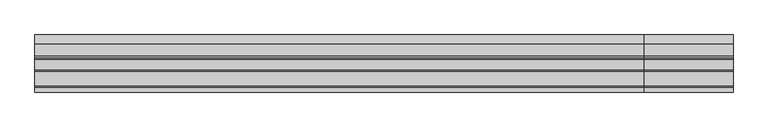
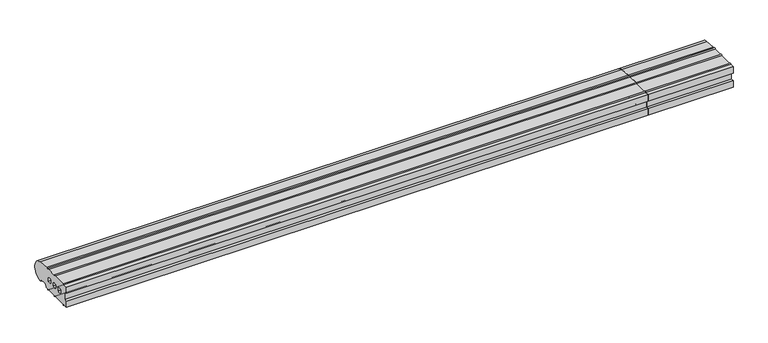
"""IFC4 building model written with IfcOpenShell, lengths in millimetres: proxy geometry."""

from ifc_helpers import new_model, si_unit, point, frame, frame_2d, origin, place, context, project, spatial, polyline, circle_curve, trimmed, segment, composite_curve, outline, extrude, source, transform, mapped, element, save


def generic_models_dff26238(model_context):
    return source(origin(), model_context, "Body", "SweptSolid", [
        extrude(outline(composite_curve([segment(trimmed(circle_curve(frame_2d((26.5732255, 3.5071443)), 1.0), [point((26.5981483, 2.5074549))], [point((25.7072001, 3.0071443))], False, "CARTESIAN"), True, "CONTINUOUS"), segment(polyline([(25.7072001, 3.0071443), (23.6905989, 6.5)]), True, "CONTINUOUS"), segment(trimmed(circle_curve(frame_2d((21.9585481, 5.5)), 2.0), [point((23.6905989, 6.5))], [point((21.9585481, 7.5))], True, "CARTESIAN"), True, "CONTINUOUS"), segment(polyline([(21.9585481, 7.5), (5.4848276, 7.5)]), True, "CONTINUOUS"), segment(trimmed(circle_curve(frame_2d((5.4848276, 5.5)), 2.0), [point((5.4848276, 7.5))], [point((3.7527767, 6.5))], True, "CARTESIAN"), True, "CONTINUOUS"), segment(polyline([(3.7527767, 6.5), (0.2886751, 0.5)]), True, "CONTINUOUS"), segment(trimmed(circle_curve(frame_2d((-0.5773503, 1.0)), 1.0), [point((0.2886751, 0.5))], [point((-0.5773503, 0.0))], False, "CARTESIAN"), True, "CONTINUOUS"), segment(polyline([(-0.5773503, 0.0), (-5.0, 0.0)]), True, "CONTINUOUS"), segment(trimmed(circle_curve(frame_2d((-6.75, 0.0)), 1.75), [point((-5.0, 0.0))], [point((-8.5, 0.0))], False, "CARTESIAN"), True, "CONTINUOUS"), segment(polyline([(-8.5, 0.0), (-33.0, 0.0)]), True, "CONTINUOUS"), segment(trimmed(circle_curve(frame_2d((-34.75, 0.0)), 1.75), [point((-33.0, 0.0))], [point((-36.5, 0.0))], False, "CARTESIAN"), True, "CONTINUOUS"), segment(polyline([(-36.5, 0.0), (-71.0, 0.0)]), True, "CONTINUOUS"), segment(trimmed(circle_curve(frame_2d((-72.75, 0.0)), 1.75), [point((-71.0, 0.0))], [point((-74.5, 0.0))], False, "CARTESIAN"), True, "CONTINUOUS"), segment(polyline([(-74.5, 0.0), (-85.0, 0.0), (-85.0, 16.5), (-78.0, 16.5), (-78.0, 36.5), (-85.0, 36.5), (-85.0, 52.8593609), (-74.5, 52.8593609)]), True, "CONTINUOUS"), segment(trimmed(circle_curve(frame_2d((-72.75, 52.8593609)), 1.75), [point((-74.5, 52.8593609))], [point((-71.0, 52.8593609))], False, "CARTESIAN"), True, "CONTINUOUS"), segment(polyline([(-71.0, 52.8593609), (-36.5, 52.8593609)]), True, "CONTINUOUS"), segment(trimmed(circle_curve(frame_2d((-34.75, 52.8593609)), 1.75), [point((-36.5, 52.8593609))], [point((-33.0, 52.8593609))], False, "CARTESIAN"), True, "CONTINUOUS"), segment(polyline([(-33.0, 52.8593609), (-8.5, 52.8593609)]), True, "CONTINUOUS"), segment(trimmed(circle_curve(frame_2d((-6.75, 52.8593609)), 1.75), [point((-8.5, 52.8593609))], [point((-5.0, 52.8593609))], False, "CARTESIAN"), True, "CONTINUOUS"), segment(polyline([(-5.0, 52.8593609), (0.0, 52.8593609), (28.0858073, 50.4091909)]), True, "CONTINUOUS"), segment(trimmed(circle_curve(frame_2d((26.0, 26.5)), 24.0), [point((28.0858073, 50.4091909))], [point((26.5981483, 2.5074549))], False, "CARTESIAN"), True, "CONTINUOUS")], self_intersect=False)), frame((1440.0, 0.0, 0.0), z_axis=(1.0, 0.0, 0.0), x_axis=(0.0, 1.0, 0.0)), (0.0, 0.0, 1.0), 210.0),
        extrude(outline(composite_curve([segment(trimmed(circle_curve(frame_2d((26.5732255, 3.5071443)), 1.0), [point((26.5981483, 2.5074549))], [point((25.7072001, 3.0071443))], False, "CARTESIAN"), True, "CONTINUOUS"), segment(polyline([(25.7072001, 3.0071443), (23.6905989, 6.5)]), True, "CONTINUOUS"), segment(trimmed(circle_curve(frame_2d((21.9585481, 5.5)), 2.0), [point((23.6905989, 6.5))], [point((21.9585481, 7.5))], True, "CARTESIAN"), True, "CONTINUOUS"), segment(polyline([(21.9585481, 7.5), (5.4848276, 7.5)]), True, "CONTINUOUS"), segment(trimmed(circle_curve(frame_2d((5.4848276, 5.5)), 2.0), [point((5.4848276, 7.5))], [point((3.7527767, 6.5))], True, "CARTESIAN"), True, "CONTINUOUS"), segment(polyline([(3.7527767, 6.5), (0.2886751, 0.5)]), True, "CONTINUOUS"), segment(trimmed(circle_curve(frame_2d((-0.5773503, 1.0)), 1.0), [point((0.2886751, 0.5))], [point((-0.5773503, 0.0))], False, "CARTESIAN"), True, "CONTINUOUS"), segment(polyline([(-0.5773503, 0.0), (-5.0, 0.0)]), True, "CONTINUOUS"), segment(trimmed(circle_curve(frame_2d((-6.75, 0.0)), 1.75), [point((-5.0, 0.0))], [point((-8.5, 0.0))], False, "CARTESIAN"), True, "CONTINUOUS"), segment(polyline([(-8.5, 0.0), (-33.0, 0.0)]), True, "CONTINUOUS"), segment(trimmed(circle_curve(frame_2d((-34.75, 0.0)), 1.75), [point((-33.0, 0.0))], [point((-36.5, 0.0))], False, "CARTESIAN"), True, "CONTINUOUS"), segment(polyline([(-36.5, 0.0), (-71.0, 0.0)]), True, "CONTINUOUS"), segment(trimmed(circle_curve(frame_2d((-72.75, 0.0)), 1.75), [point((-71.0, 0.0))], [point((-74.5, 0.0))], False, "CARTESIAN"), True, "CONTINUOUS"), segment(polyline([(-74.5, 0.0), (-85.0, 0.0), (-85.0, 16.5), (-78.0, 16.5), (-78.0, 36.5), (-85.0, 36.5), (-85.0, 52.8558627), (-74.5, 52.8558627)]), True, "CONTINUOUS"), segment(trimmed(circle_curve(frame_2d((-72.75, 52.8558627)), 1.75), [point((-74.5, 52.8558627))], [point((-71.0, 52.8558627))], False, "CARTESIAN"), True, "CONTINUOUS"), segment(polyline([(-71.0, 52.8558627), (-36.5, 52.8558627)]), True, "CONTINUOUS"), segment(trimmed(circle_curve(frame_2d((-34.75, 52.8558627)), 1.75), [point((-36.5, 52.8558627))], [point((-33.0, 52.8558627))], False, "CARTESIAN"), True, "CONTINUOUS"), segment(polyline([(-33.0, 52.8558627), (-8.5, 52.8558627)]), True, "CONTINUOUS"), segment(trimmed(circle_curve(frame_2d((-6.75, 52.8558627)), 1.75), [point((-8.5, 52.8558627))], [point((-5.0, 52.8558627))], False, "CARTESIAN"), True, "CONTINUOUS"), segment(polyline([(-5.0, 52.8558627), (0.0400993, 52.8558627), (28.0858073, 50.4091909)]), True, "CONTINUOUS"), segment(trimmed(circle_curve(frame_2d((26.0, 26.5)), 24.0), [point((28.0858073, 50.4091909))], [point((26.5981483, 2.5074549))], False, "CARTESIAN"), True, "CONTINUOUS")], self_intersect=False), holes=[composite_curve([segment(trimmed(circle_curve(frame_2d((-13.0, 23.4166667)), 9.0833333), [point((-8.0, 31.0))], [point((-18.0, 31.0))], True, "CARTESIAN"), True, "CONTINUOUS"), segment(polyline([(-18.0, 31.0), (-18.0, 22.0)]), True, "CONTINUOUS"), segment(trimmed(circle_curve(frame_2d((-13.0, 29.5833333)), 9.0833333), [point((-18.0, 22.0))], [point((-8.0, 22.0))], True, "CARTESIAN"), True, "CONTINUOUS"), segment(polyline([(-8.0, 22.0), (-8.0, 31.0)]), True, "CONTINUOUS")], self_intersect=False), composite_curve([segment(polyline([(-29.0, 22.0), (-29.0, 31.0)]), True, "CONTINUOUS"), segment(trimmed(circle_curve(frame_2d((-34.0, 23.4166667)), 9.0833333), [point((-29.0, 31.0))], [point((-39.0, 31.0))], True, "CARTESIAN"), True, "CONTINUOUS"), segment(polyline([(-39.0, 31.0), (-39.0, 22.0)]), True, "CONTINUOUS"), segment(trimmed(circle_curve(frame_2d((-34.0, 29.5833333)), 9.0833333), [point((-39.0, 22.0))], [point((-29.0, 22.0))], True, "CARTESIAN"), True, "CONTINUOUS")], self_intersect=False), composite_curve([segment(polyline([(-50.0, 22.0), (-50.0, 31.0)]), True, "CONTINUOUS"), segment(trimmed(circle_curve(frame_2d((-55.0, 23.4166667)), 9.0833333), [point((-50.0, 31.0))], [point((-60.0, 31.0))], True, "CARTESIAN"), True, "CONTINUOUS"), segment(polyline([(-60.0, 31.0), (-60.0, 22.0)]), True, "CONTINUOUS"), segment(trimmed(circle_curve(frame_2d((-55.0, 29.5833333)), 9.0833333), [point((-60.0, 22.0))], [point((-50.0, 22.0))], True, "CARTESIAN"), True, "CONTINUOUS")], self_intersect=False)]), frame((0.0, 0.0, 0.0), z_axis=(1.0, 0.0, 0.0), x_axis=(0.0, 1.0, 0.0)), (0.0, 0.0, 1.0), 1440.0),
    ])


if __name__ == "__main__":
    model = new_model("IFC4")
    model_context = context("Model", 3, world=origin())
    ifc_project = project(units=[si_unit("LENGTHUNIT", "METRE", prefix="MILLI")], contexts=[model_context])
    site = spatial("IfcSite", under=ifc_project)
    building = spatial("IfcBuilding", under=site)
    placement = place(None, origin())
    generic_models_shape = generic_models_dff26238(model_context)
    element("IfcBuildingElementProxy", 1, Name="Generic Models", at=placement, inside=building, context=model_context, shape_type="MappedRepresentation", body=[
        mapped(generic_models_shape, transform((0.0, 0.0, 0.0), x_axis=(1.0, 0.0, 0.0), y_axis=(0.0, 1.0, 0.0), z_axis=(0.0, 0.0, 1.0))),
    ])
    save(model, "model.ifc")
